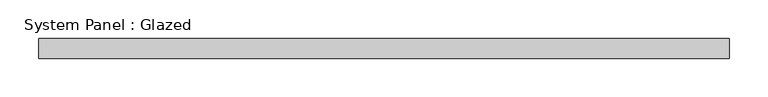
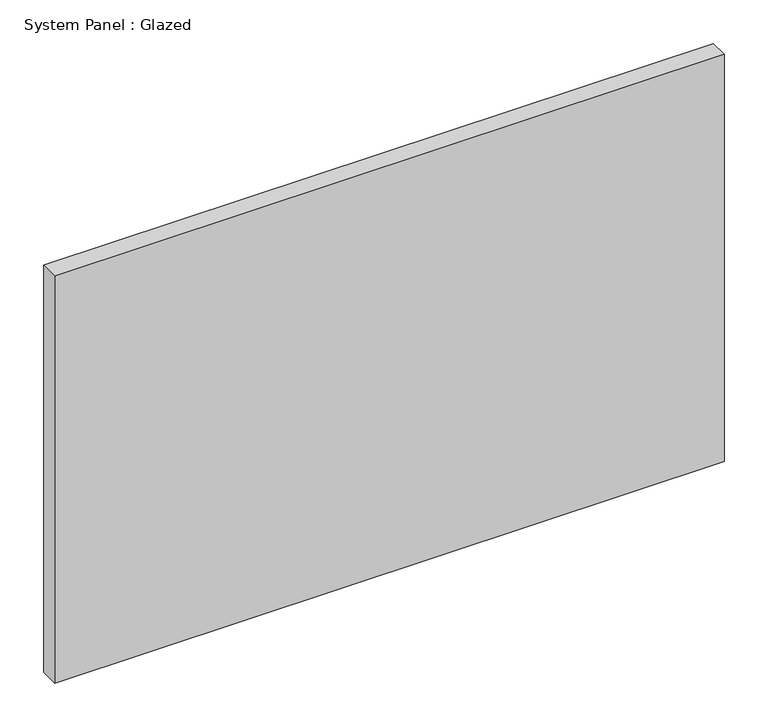
"""IFC4 building model written with IfcOpenShell, lengths in millimetres: plate geometry, System Panel : Glazed."""

from ifc_helpers import new_model, si_unit, origin, origin_with_axes, place, context, project, spatial, polyline, outline, extrude, source, transform, mapped, element, save


def system_panel_glazed_44c2df81(model_context):
    return source(origin(), model_context, "Body", "SweptSolid", [
        extrude(outline(polyline([(444.5, 19.05), (-444.5, 19.05), (-444.5, 44.45), (444.5, 44.45), (444.5, 19.05)])), origin_with_axes(), (0.0, 0.0, 1.0), 571.5),
    ])


if __name__ == "__main__":
    model = new_model("IFC4")
    model_context = context("Model", 3, world=origin())
    ifc_project = project(units=[si_unit("LENGTHUNIT", "METRE", prefix="MILLI")], contexts=[model_context])
    site = spatial("IfcSite", under=ifc_project)
    building = spatial("IfcBuilding", under=site)
    placement = place(None, origin())
    system_panel_glazed_shape = system_panel_glazed_44c2df81(model_context)
    element("IfcPlate", 1, ObjectType="System Panel : Glazed", at=placement, inside=building, context=model_context, shape_type="MappedRepresentation", body=[
        mapped(system_panel_glazed_shape, transform((0.0, 0.0, 0.0), x_axis=(1.0, 0.0, 0.0), y_axis=(0.0, 1.0, 0.0), z_axis=(0.0, 0.0, 1.0))),
    ])
    save(model, "model.ifc")
